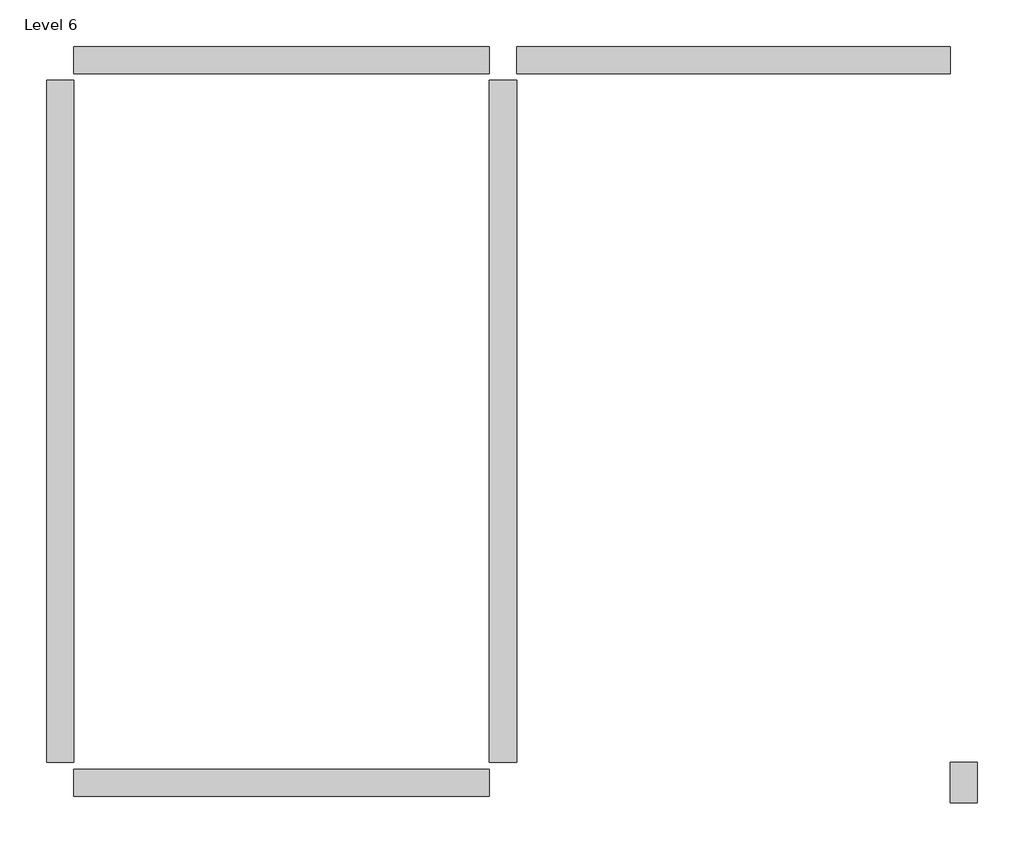
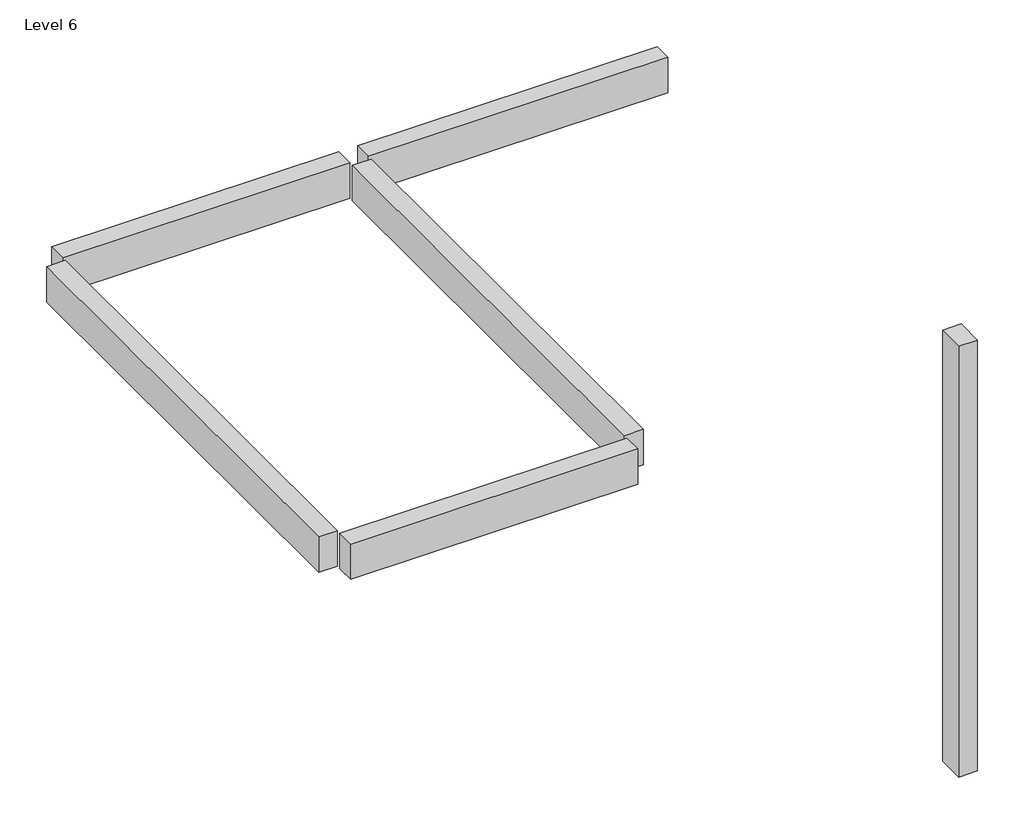
# One storey: 5 beams, 1 column.
"""IFC4 building model written with IfcOpenShell, lengths in millimetres."""

from ifc_helpers import new_model, si_unit, frame, origin, place, context, project, spatial, polyline, outline, extrude, element, save

model = new_model("IFC4")

# Units and contexts
model_context = context("Model", 3, world=origin())
ifc_project = project(units=[si_unit("LENGTHUNIT", "METRE", prefix="MILLI")], contexts=[model_context])

# Site, building, storey
site = spatial("IfcSite", under=ifc_project)
building = spatial("IfcBuilding", under=site)
storey = spatial("IfcBuildingStorey", under=building, Name="Level 6", Elevation=17800.0)

# Beams
placement = place(None, origin())
element("IfcBeam", 1, ObjectType="Concrete-Rectangular Beam : 300 x 600mm", at=placement, inside=storey, context=model_context, shape_type="SweptSolid", body=[
    extrude(outline(polyline([(-16221.2304607, 6912.8952153), (-16221.2304607, 7212.8952153), (-11621.2304607, 7212.8952153), (-11621.2304607, 6912.8952153), (-16221.2304607, 6912.8952153)])), frame((0.0, 0.0, 17200.0), z_axis=(0.0, 0.0, 1.0), x_axis=(1.0, 0.0, 0.0)), (0.0, 0.0, 1.0), 600.0),
])
element("IfcBeam", 2, ObjectType="Concrete-Rectangular Beam : 300 x 600mm", at=placement, inside=storey, context=model_context, shape_type="SweptSolid", body=[
    extrude(outline(polyline([(-11321.2304607, 6912.8952153), (-11321.2304607, 7212.8952153), (-6521.2304607, 7212.8952153), (-6521.2304607, 6912.8952153), (-11321.2304607, 6912.8952153)])), frame((0.0, 0.0, 17200.0), z_axis=(0.0, 0.0, 1.0), x_axis=(1.0, 0.0, 0.0)), (0.0, 0.0, 1.0), 600.0),
])
element("IfcBeam", 3, ObjectType="Concrete-Rectangular Beam : 300 x 600mm", at=placement, inside=storey, context=model_context, shape_type="SweptSolid", body=[
    extrude(outline(polyline([(-11621.2304607, -787.1047847), (-11621.2304607, -1087.1047847), (-16221.2304607, -1087.1047847), (-16221.2304607, -787.1047847), (-11621.2304607, -787.1047847)])), frame((0.0, 0.0, 17200.0), z_axis=(0.0, 0.0, 1.0), x_axis=(1.0, 0.0, 0.0)), (0.0, 0.0, 1.0), 600.0),
])
element("IfcBeam", 4, ObjectType="Concrete-Rectangular Beam : 300 x 600mm", at=placement, inside=storey, context=model_context, shape_type="SweptSolid", body=[
    extrude(outline(polyline([(-16521.2304607, 6837.8952153), (-16221.2304607, 6837.8952153), (-16221.2304607, -712.1047847), (-16521.2304607, -712.1047847), (-16521.2304607, 6837.8952153)])), frame((0.0, 0.0, 17200.0), z_axis=(0.0, 0.0, 1.0), x_axis=(1.0, 0.0, 0.0)), (0.0, 0.0, 1.0), 600.0),
])
element("IfcBeam", 5, ObjectType="Concrete-Rectangular Beam : 300 x 600mm", at=placement, inside=storey, context=model_context, shape_type="SweptSolid", body=[
    extrude(outline(polyline([(-11621.2304607, 6837.8952153), (-11321.2304607, 6837.8952153), (-11321.2304607, -712.1047847), (-11621.2304607, -712.1047847), (-11621.2304607, 6837.8952153)])), frame((0.0, 0.0, 17200.0), z_axis=(0.0, 0.0, 1.0), x_axis=(1.0, 0.0, 0.0)), (0.0, 0.0, 1.0), 600.0),
])

# Column
element("IfcColumn", 6, ObjectType="Concrete-Rectangular-Column : 300 x 450mm", at=placement, inside=storey, context=model_context, shape_type="SweptSolid", body=[
    extrude(outline(polyline([(-6221.2304607, -712.1047847), (-6221.2304607, -1162.1047847), (-6521.2304607, -1162.1047847), (-6521.2304607, -712.1047847), (-6221.2304607, -712.1047847)])), frame((0.0, 0.0, 10500.0), z_axis=(0.0, 0.0, 1.0), x_axis=(1.0, 0.0, 0.0)), (0.0, 0.0, 1.0), 7300.0),
])

save(model, "model.ifc")
